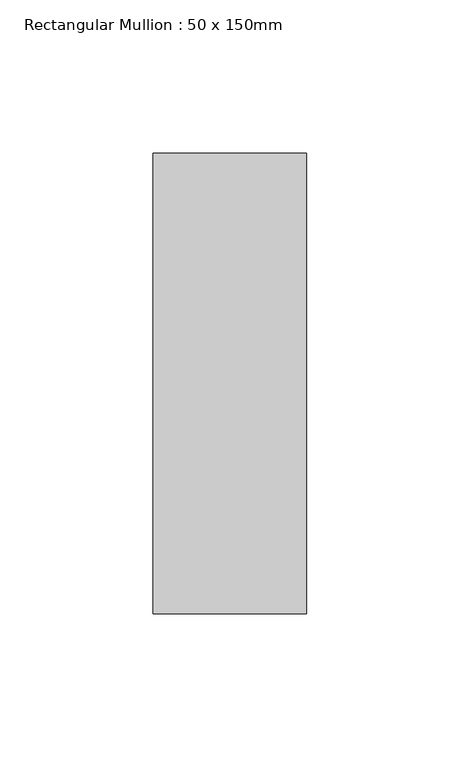
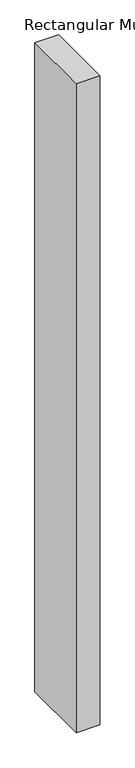
"""IFC4 building model written with IfcOpenShell, lengths in millimetres: member geometry, Rectangular Mullion : 50 x 150mm."""

from ifc_helpers import new_model, si_unit, frame, origin, place, context, project, spatial, polyline, outline, extrude, source, transform, mapped, element, save


def rectangular_mullion_50_x_150mm_9faa9301(model_context):
    return source(origin(), model_context, "Body", "SweptSolid", [
        extrude(outline(polyline([(25.0, 75.0), (25.0, -75.0), (-25.0, -75.0), (-25.0, 75.0), (25.0, 75.0)])), frame((0.0, 0.0, -1445.0000002), z_axis=(0.0, 0.0, 1.0), x_axis=(1.0, 0.0, 0.0)), (0.0, 0.0, 1.0), 1445.0000002),
    ])


if __name__ == "__main__":
    model = new_model("IFC4")
    model_context = context("Model", 3, world=origin())
    ifc_project = project(units=[si_unit("LENGTHUNIT", "METRE", prefix="MILLI")], contexts=[model_context])
    site = spatial("IfcSite", under=ifc_project)
    building = spatial("IfcBuilding", under=site)
    placement = place(None, origin())
    rectangular_mullion_50_x_150mm_shape = rectangular_mullion_50_x_150mm_9faa9301(model_context)
    element("IfcMember", 1, ObjectType="Rectangular Mullion : 50 x 150mm", at=placement, inside=building, context=model_context, shape_type="MappedRepresentation", body=[
        mapped(rectangular_mullion_50_x_150mm_shape, transform((0.0, 0.0, 0.0), x_axis=(1.0, 0.0, 0.0), y_axis=(0.0, 1.0, 0.0), z_axis=(0.0, 0.0, 1.0))),
    ])
    save(model, "model.ifc")
